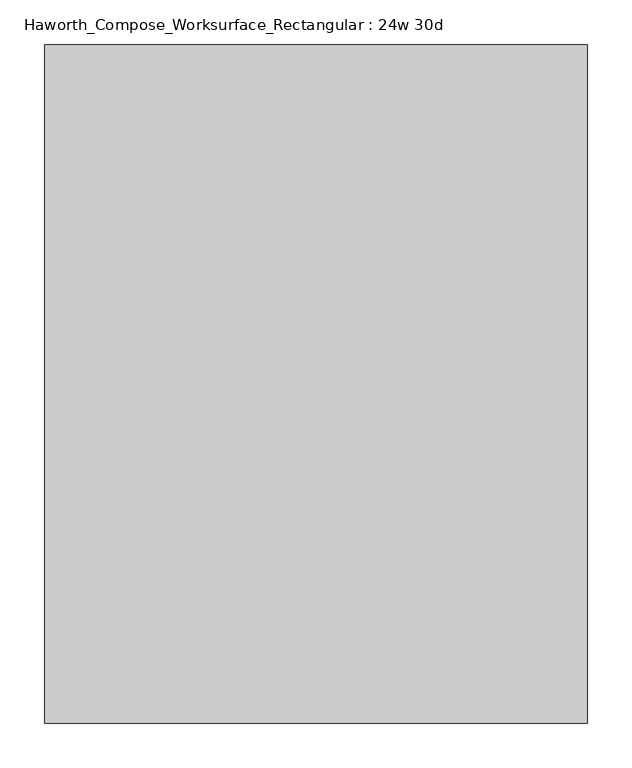
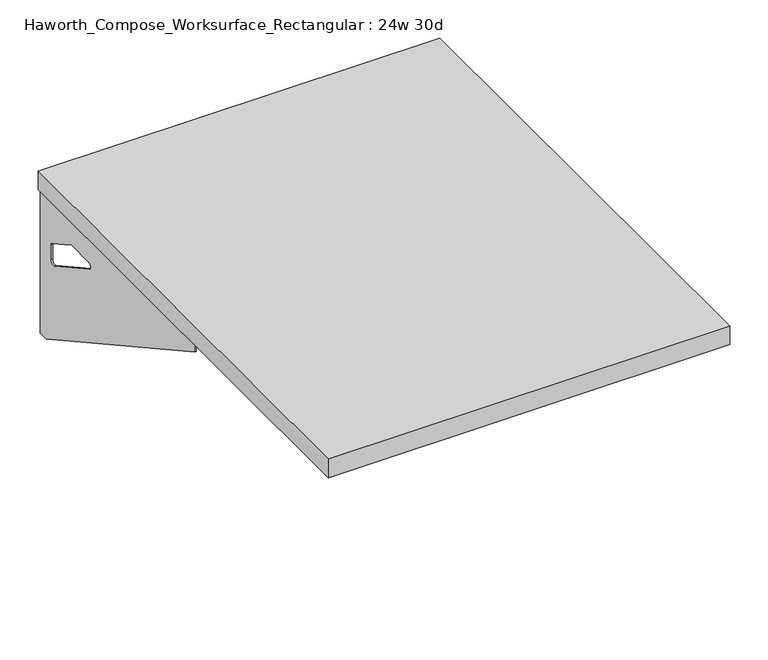
"""IFC4 building model written with IfcOpenShell, lengths in millimetres: furniture geometry, Haworth_Compose_Worksurface_Rectangular : 24w 30d."""

import ifcopenshell
import ifcopenshell.guid

model = None  # the IFC model being written
_history = None  # IfcOwnerHistory: only IFC2X3 demands one
_inside = {}  # id of a spatial element -> (the spatial element, [elements in it])
_under = {}  # id of a project, library or spatial element -> (it, [spatial elements below it])
_declared = {}  # id of a project -> (the project, [libraries it declares])
_typed = {}  # id of a type object -> (the type object, [elements of that type])
_made_of = {}  # id of a material, layer set ... -> (it, [elements and type objects made of it])


def new_model(schema):
    """Start an empty IFC model of exactly this schema.

    Asked for "IFC4X3", IfcOpenShell would pick the latest addendum, in which some entities
    have other attributes; the version numbers below select the first issue.
    IFC2X3 requires an IfcOwnerHistory on every rooted entity: one is made here for all.
    """
    global model, _history
    if schema == "IFC4X3":
        model = ifcopenshell.file(schema_version=(4, 3, 0, 0))
    else:
        model = ifcopenshell.file(schema=schema)
    _inside.clear()
    _under.clear()
    _declared.clear()
    _typed.clear()
    _made_of.clear()
    _history = None
    if model.schema == "IFC2X3":
        org = make("IfcOrganization", Name="unknown")
        user = make(
            "IfcPersonAndOrganization",
            ThePerson=make("IfcPerson", FamilyName="unknown"),
            TheOrganization=org,
        )
        app = make(
            "IfcApplication",
            ApplicationDeveloper=org,
            Version="unknown",
            ApplicationFullName="unknown",
            ApplicationIdentifier="unknown",
        )
        _history = make(
            "IfcOwnerHistory",
            OwningUser=user,
            OwningApplication=app,
            ChangeAction="ADDED",
            CreationDate=0,
        )
    return model


def make(cls, **values):
    """One entity of the class cls with the attributes given. An attribute that is None is left unset."""
    return model.create_entity(
        cls, **{name: value for name, value in values.items() if value is not None}
    )


def rooted(cls, **values):
    """An entity with a GlobalId (a new one), such as an element, a storey or a relation."""
    return make(cls, GlobalId=ifcopenshell.guid.new(), OwnerHistory=_history, **values)


def si_unit(unit_type, name, prefix=None):
    """IfcSIUnit, for example si_unit("LENGTHUNIT", "METRE", prefix="MILLI")."""
    return make("IfcSIUnit", UnitType=unit_type, Prefix=prefix, Name=name)


def assignment(units):
    """IfcUnitAssignment: the units of a project."""
    return None if units is None else make("IfcUnitAssignment", Units=units)


def point(xyz):
    """IfcCartesianPoint."""
    return None if xyz is None else make("IfcCartesianPoint", Coordinates=xyz)


def direction(xyz):
    """IfcDirection."""
    return None if xyz is None else make("IfcDirection", DirectionRatios=xyz)


def frame(location, z_axis=None, x_axis=None):
    """IfcAxis2Placement3D, a coordinate frame: its origin and axes. An axis left out is left unset."""
    return make(
        "IfcAxis2Placement3D",
        Location=point(location),
        Axis=direction(z_axis),
        RefDirection=direction(x_axis),
    )


def origin():
    """The frame at (0, 0, 0) with its axes left unset."""
    return frame((0.0, 0.0, 0.0))


def place(relative_to, where):
    """IfcLocalPlacement: puts the frame where relative to a parent placement (None: the world)."""
    return make(
        "IfcLocalPlacement", PlacementRelTo=relative_to, RelativePlacement=where
    )


def context(
    kind, dimensions, precision=None, world=None, true_north=None, identifier=None
):
    """IfcGeometricRepresentationContext, for example the 3D "Model" context."""
    return make(
        "IfcGeometricRepresentationContext",
        ContextIdentifier=identifier,
        ContextType=kind,
        CoordinateSpaceDimension=dimensions,
        Precision=precision,
        WorldCoordinateSystem=world,
        TrueNorth=true_north,
    )


def project(units=None, contexts=None):
    """IfcProject with its units and contexts."""
    return rooted(
        "IfcProject",
        Name="project",
        RepresentationContexts=contexts,
        UnitsInContext=assignment(units),
    )


def spatial(cls, under=None, at=None, **own):
    """A site, building, storey or space (cls), placed at a placement, below another one or the project."""
    s = rooted(cls, ObjectPlacement=at, **own)
    if under is not None:
        _under.setdefault(under.id(), (under, []))[1].append(s)
    return s


def polyline(points):
    """IfcPolyline through the points."""
    return make("IfcPolyline", Points=[point(p) for p in points])


def circle_curve(where, radius):
    """IfcCircle in the frame where."""
    return make("IfcCircle", Position=where, Radius=radius)


def outline(outer, holes=None, kind="AREA"):
    """IfcArbitraryClosedProfileDef: a profile drawn as a closed curve; with holes, ...WithVoids."""
    if holes is None:
        return make("IfcArbitraryClosedProfileDef", ProfileType=kind, OuterCurve=outer)
    return make(
        "IfcArbitraryProfileDefWithVoids",
        ProfileType=kind,
        OuterCurve=outer,
        InnerCurves=holes,
    )


def extrude(swept, where, along, depth):
    """IfcExtrudedAreaSolid: the profile swept, set in the frame where, extruded along a direction by depth."""
    return make(
        "IfcExtrudedAreaSolid",
        SweptArea=swept,
        Position=where,
        ExtrudedDirection=direction(along),
        Depth=depth,
    )


def shape(context_of_items, identifier, shape_type, items):
    """IfcShapeRepresentation: the items that make up one representation, for example the "Body"."""
    return make(
        "IfcShapeRepresentation",
        ContextOfItems=context_of_items,
        RepresentationIdentifier=identifier,
        RepresentationType=shape_type,
        Items=items,
    )


def source(mapping_origin, context_of_items, identifier, shape_type, items):
    """IfcRepresentationMap: a shape defined once, which mapped items show again and again."""
    return make(
        "IfcRepresentationMap",
        MappingOrigin=mapping_origin,
        MappedRepresentation=shape(context_of_items, identifier, shape_type, items),
    )


def transform(
    local_origin,
    x_axis=None,
    y_axis=None,
    z_axis=None,
    scale=None,
    scale2=None,
    scale3=None,
    uniform=True,
):
    """IfcCartesianTransformationOperator3D, or its non-uniform kind. x_axis, y_axis, z_axis: its Axis1, 2, 3."""
    if uniform:
        return make(
            "IfcCartesianTransformationOperator3D",
            Axis1=direction(x_axis),
            Axis2=direction(y_axis),
            LocalOrigin=point(local_origin),
            Scale=scale,
            Axis3=direction(z_axis),
        )
    return make(
        "IfcCartesianTransformationOperator3DnonUniform",
        Axis1=direction(x_axis),
        Axis2=direction(y_axis),
        LocalOrigin=point(local_origin),
        Scale=scale,
        Axis3=direction(z_axis),
        Scale2=scale2,
        Scale3=scale3,
    )


def mapped(mapping_source, mapping_target):
    """IfcMappedItem: shows the shape of a source again, moved by a transform."""
    return make(
        "IfcMappedItem", MappingSource=mapping_source, MappingTarget=mapping_target
    )


def made_of(thing, what):
    """Note that an element or type object is made of a material, layer set ...; save() writes the relation."""
    if what is not None:
        _made_of.setdefault(what.id(), (what, []))[1].append(thing)
    return thing


def element(
    cls,
    number,
    at=None,
    inside=None,
    cuts=None,
    type_object=None,
    material=None,
    context=None,
    identifier="Body",
    shape_type=None,
    held_by="IfcProductDefinitionShape",
    body=None,
    shapes=None,
    **own,
):
    """One element of the class cls, such as IfcWall. Its Tag is "e" and its number.

    at: its placement. inside: the storey or other place that contains it. cuts: it is an
    opening in that element (IfcRelVoidsElement). A single representation is given by context,
    identifier, shape_type and body (its items); several are given by shapes. held_by: the class
    of the entity that holds the representations. save() writes the other relations.
    """
    e = rooted(cls, Tag="e%d" % number, ObjectPlacement=at, **own)
    if body is not None:
        shapes = [shape(context, identifier, shape_type, body)]
    if shapes is not None:
        e.Representation = make(held_by, Representations=shapes)
    if inside is not None:
        _inside.setdefault(inside.id(), (inside, []))[1].append(e)
    if cuts is not None:
        rooted(
            "IfcRelVoidsElement", RelatingBuildingElement=cuts, RelatedOpeningElement=e
        )
    if type_object is not None:
        _typed.setdefault(type_object.id(), (type_object, []))[1].append(e)
    return made_of(e, material)


def aggregate(whole, parts):
    """IfcRelAggregates: a whole, such as a stair, and the parts it consists of."""
    return rooted("IfcRelAggregates", RelatingObject=whole, RelatedObjects=parts)


def save(model, path):
    """Write the relations noted so far, then the file.

    IfcRelAggregates (storeys below a building ...), IfcRelContainedInSpatialStructure (elements
    in a storey), IfcRelDefinesByType, IfcRelAssociatesMaterial and IfcRelDeclares: one each for
    every whole, place, type object, material and project.
    """
    for whole, parts in _under.values():
        aggregate(whole, parts)
    for where, things in _inside.values():
        rooted(
            "IfcRelContainedInSpatialStructure",
            RelatedElements=things,
            RelatingStructure=where,
        )
    for kind, things in _typed.values():
        rooted("IfcRelDefinesByType", RelatedObjects=things, RelatingType=kind)
    for what, things in _made_of.values():
        rooted("IfcRelAssociatesMaterial", RelatedObjects=things, RelatingMaterial=what)
    for by, libraries in _declared.values():
        rooted("IfcRelDeclares", RelatingContext=by, RelatedDefinitions=libraries)
    model.write(path)


def plane_surface(at):
    """IfcPlane: the flat surface through the origin of the frame at, square to its z axis."""
    return make("IfcPlane", Position=at)


def revolved_surface(curve, axis_point, axis_direction):
    """IfcSurfaceOfRevolution: the curve turned about the line through axis_point along axis_direction."""
    return make(
        "IfcSurfaceOfRevolution",
        SweptCurve=make("IfcArbitraryOpenProfileDef", ProfileType="CURVE", Curve=curve),
        AxisPosition=make("IfcAxis1Placement", Location=point(axis_point), Axis=direction(axis_direction)),
    )


def advanced_brep(points, edges, surfaces, faces):
    """IfcAdvancedBrep: a solid bounded by faces that lie on surfaces and meet in shared edges.

    An edge is (start, end): straight between two places in points (the first is 0);
    or (start, end, curve); or (start, end, curve, False) where it runs against its curve.
    A face is (place in surfaces, loops), or (place, loops, False) where it looks against
    its surface's normal. A loop lists edges by number (the first is 1), with a minus sign
    where the edge is run from its end to its start. The first loop is the outer one.
    """
    corners = [point(p) for p in points]
    vertices = [make("IfcVertexPoint", VertexGeometry=c) for c in corners]
    made = []
    for start, end, *more in edges:
        made.append(
            make(
                "IfcEdgeCurve",
                EdgeStart=vertices[start],
                EdgeEnd=vertices[end],
                EdgeGeometry=more[0] if more else make("IfcPolyline", Points=[corners[start], corners[end]]),
                SameSense=more[1] if len(more) > 1 else True,
            )
        )
    hull = []
    for where, loops, *sense in faces:
        bounds = []
        for j, loop in enumerate(loops):
            ring = [make("IfcOrientedEdge", EdgeElement=made[abs(k) - 1], Orientation=k > 0) for k in loop]
            bounds.append(
                make(
                    "IfcFaceOuterBound" if j == 0 else "IfcFaceBound",
                    Bound=make("IfcEdgeLoop", EdgeList=ring),
                    Orientation=True,
                )
            )
        hull.append(make("IfcAdvancedFace", Bounds=bounds, FaceSurface=surfaces[where], SameSense=sense[0] if sense else True))
    return make("IfcAdvancedBrep", Outer=make("IfcClosedShell", CfsFaces=hull))


def haworth_compose_worksurface_rectangular_24w_30d_a35d95bb(model_context):
    return source(origin(), model_context, "Body", "SolidModel", [
        advanced_brep(
        [(299.24375, 381.0, 475.45625), (299.24375, 365.125, 475.45625), (299.24375, -25.4, 691.7192568), (299.24375, -25.4, 704.05625), (299.24375, 365.125, 704.05625), (299.24375, 381.0, 704.05625), (299.24375, 297.690072, 665.95625), (299.24375, 254.0355284, 665.95625), (299.24375, 251.3564235, 656.3705539), (299.24375, 343.0776173, 605.5776439), (299.24375, 352.425, 611.1756969), (299.24375, 352.425, 634.6860246), (299.24375, 350.6730055, 637.5242776), (299.24375, 300.7663437, 665.1613425), (301.625, 381.0, 475.45625), (301.625, 381.0, 704.05625), (301.625, 365.125, 704.05625), (301.625, 365.125, 706.4375), (301.625, -25.4, 706.4375), (301.625, -25.4, 691.7192568), (301.625, 365.125, 475.45625), (301.625, 297.690072, 665.95625), (301.625, 300.7663437, 665.1613425), (301.625, 350.6730055, 637.5242776), (301.625, 352.425, 634.6860246), (301.625, 352.425, 611.1756969), (301.625, 343.0776173, 605.5776439), (301.625, 251.3564235, 656.3705539), (301.625, 254.0355284, 665.95625), (260.35, -25.4, 706.4375), (260.35, -25.4, 704.05625), (260.35, 365.125, 704.05625), (260.35, 365.125, 706.4375)],
        [
            (0, 1),
            (1, 2),
            (2, 3),
            (3, 4),
            (4, 5),
            (5, 0),
            (6, 7),
            (7, 8, circle_curve(frame((299.24375, 254.0355284, 660.7890106), z_axis=(1.0, 0.0, 0.0), x_axis=(0.0, -1.0, 0.0)), 5.1672394)),
            (8, 9),
            (9, 10, circle_curve(frame((299.24375, 346.075, 611.1756969), z_axis=(1.0, 0.0, 0.0), x_axis=(0.0, -1.0, 0.0)), 6.35)),
            (10, 11),
            (11, 12, circle_curve(frame((299.24375, 349.25, 634.6860246), z_axis=(1.0, 0.0, 0.0), x_axis=(0.0, -1.0, 0.0)), 3.175)),
            (12, 13),
            (13, 6, circle_curve(frame((299.24375, 297.690072, 659.60625), z_axis=(1.0, 0.0, 0.0), x_axis=(0.0, -1.0, 0.0)), 6.35)),
            (14, 15),
            (15, 16),
            (16, 17),
            (17, 18),
            (18, 19),
            (19, 20),
            (20, 14),
            (21, 22, circle_curve(frame((301.625, 297.690072, 659.60625), z_axis=(-1.0, 0.0, 0.0), x_axis=(0.0, -1.0, 0.0)), 6.35)),
            (22, 23),
            (23, 24, circle_curve(frame((301.625, 349.25, 634.6860246), z_axis=(-1.0, 0.0, 0.0), x_axis=(0.0, -1.0, 0.0)), 3.175)),
            (24, 25),
            (25, 26, circle_curve(frame((301.625, 346.075, 611.1756969), z_axis=(-1.0, 0.0, 0.0), x_axis=(0.0, -1.0, 0.0)), 6.35)),
            (26, 27),
            (27, 28, circle_curve(frame((301.625, 254.0355284, 660.7890106), z_axis=(-1.0, 0.0, 0.0), x_axis=(0.0, -1.0, 0.0)), 5.1672394)),
            (28, 21),
            (4, 16),
            (15, 5),
            (14, 0),
            (20, 1),
            (19, 2),
            (18, 29),
            (29, 30),
            (30, 3),
            (6, 21),
            (28, 7),
            (9, 26),
            (25, 10),
            (24, 11),
            (23, 12),
            (27, 8),
            (31, 4),
            (30, 31),
            (32, 29),
            (17, 32),
            (31, 32),
            (22, 13),
        ],
        [
            plane_surface(frame((299.24375, 381.0, 475.45625), z_axis=(-1.0, 0.0, 0.0), x_axis=(0.0, 1.0, 0.0))),
            plane_surface(frame((301.625, 381.0, 475.45625), z_axis=(1.0, 0.0, 0.0), x_axis=(0.0, -1.0, 0.0))),
            plane_surface(frame((301.625, -25.4, 704.05625), z_axis=(0.0, 0.0, 1.0), x_axis=(-1.0, 0.0, 0.0))),
            plane_surface(frame((301.625, 381.0, 704.05625), z_axis=(0.0, 1.0, 0.0), x_axis=(-1.0, 0.0, 0.0))),
            plane_surface(frame((301.625, 381.0, 475.45625), z_axis=(0.0, 0.0, -1.0), x_axis=(-1.0, 0.0, 0.0))),
            plane_surface(frame((301.625, 365.125, 475.45625), z_axis=(0.0, -0.48445223513455843, -0.8748177135112952), x_axis=(-1.0, 0.0, 0.0))),
            plane_surface(frame((301.625, -25.4, 691.7192568), z_axis=(0.0, -1.0, 0.0), x_axis=(-1.0, 0.0, 0.0))),
            plane_surface(frame((301.625, 297.690072, 665.95625), z_axis=(0.0, 0.0, -1.0), x_axis=(-1.0, 0.0, 0.0))),
            revolved_surface(polyline([(299.24375, 339.72499999999997, 611.1756969), (301.625, 339.72499999999997, 611.1756969)]), (301.625, 346.075, 611.1756969), (-1.0, 0.0, 0.0)),
            plane_surface(frame((301.625, 352.425, 611.1756969), z_axis=(0.0, -1.0, 0.0), x_axis=(-1.0, 0.0, 0.0))),
            revolved_surface(polyline([(299.24375, 346.075, 634.6860246), (301.625, 346.075, 634.6860246)]), (301.625, 349.25, 634.6860246), (-1.0, 0.0, 0.0)),
            revolved_surface(polyline([(299.24375, 248.868289, 660.7890106), (301.625, 248.868289, 660.7890106)]), (301.625, 254.0355284, 660.7890106), (-1.0, 0.0, 0.0)),
            plane_surface(frame((301.625, 365.125, 704.05625), z_axis=(0.0, 0.0, -1.0), x_axis=(-1.0, 0.0, 0.0))),
            plane_surface(frame((301.625, 365.125, 706.4375), z_axis=(0.0, 0.0, 1.0), x_axis=(1.0, 0.0, 0.0))),
            plane_surface(frame((260.35, 365.125, 706.4375), z_axis=(0.0, 1.0, 0.0), x_axis=(0.0, 0.0, -1.0))),
            plane_surface(frame((260.35, -25.4, 706.4375), z_axis=(-1.0, 0.0, 0.0), x_axis=(0.0, 0.0, -1.0))),
            plane_surface(frame((301.625, 251.3564235, 656.3705539), z_axis=(0.0, 0.4844522351345583, 0.8748177135112953), x_axis=(-1.0, 0.0, 0.0))),
            plane_surface(frame((301.625, 350.6730055, 637.5242776), z_axis=(0.0, -0.4844522351345582, -0.8748177135112953), x_axis=(-1.0, 0.0, 0.0))),
            revolved_surface(polyline([(299.24375, 291.34007199999996, 659.60625), (301.625, 291.34007199999996, 659.60625)]), (301.625, 297.690072, 659.60625), (-1.0, 0.0, 0.0)),
        ],
        [
            (0, [[1, 2, 3, 4, 5, 6], [7, 8, 9, 10, 11, 12, 13, 14]]),
            (1, [[15, 16, 17, 18, 19, 20, 21], [22, 23, 24, 25, 26, 27, 28, 29]]),
            (2, [[-5, 30, -16, 31]]),
            (3, [[-31, -15, 32, -6]]),
            (4, [[-32, -21, 33, -1]]),
            (5, [[-33, -20, 34, -2]]),
            (6, [[-34, -19, 35, 36, 37, -3]]),
            (7, [[38, -29, 39, -7]]),
            (8, [[40, -26, 41, -10]]),
            (9, [[-41, -25, 42, -11]]),
            (10, [[-42, -24, 43, -12]]),
            (11, [[-39, -28, 44, -8]]),
            (12, [[45, -4, -37, 46]]),
            (13, [[47, -35, -18, 48]]),
            (14, [[-17, -30, -45, 49, -48]]),
            (15, [[-36, -47, -49, -46]]),
            (16, [[-44, -27, -40, -9]]),
            (17, [[-43, -23, 50, -13]]),
            (18, [[-50, -22, -38, -14]]),
        ],
    ),
        advanced_brep(
        [(-299.24375, 381.0, 475.45625), (-299.24375, 381.0, 704.05625), (-299.24375, 365.125, 704.05625), (-299.24375, -25.4, 704.05625), (-299.24375, -25.4, 691.7192568), (-299.24375, 365.125, 475.45625), (-299.24375, 297.690072, 665.95625), (-299.24375, 300.7663437, 665.1613425), (-299.24375, 350.6730055, 637.5242776), (-299.24375, 352.425, 634.6860246), (-299.24375, 352.425, 611.1756969), (-299.24375, 343.0776173, 605.5776439), (-299.24375, 251.3564235, 656.3705539), (-299.24375, 254.0355284, 665.95625), (-301.625, 381.0, 475.45625), (-301.625, 365.125, 475.45625), (-301.625, -25.4, 691.7192568), (-301.625, -25.4, 706.4375), (-301.625, 365.125, 706.4375), (-301.625, 365.125, 704.05625), (-301.625, 381.0, 704.05625), (-301.625, 297.690072, 665.95625), (-301.625, 254.0355284, 665.95625), (-301.625, 251.3564235, 656.3705539), (-301.625, 343.0776173, 605.5776439), (-301.625, 352.425, 611.1756969), (-301.625, 352.425, 634.6860246), (-301.625, 350.6730055, 637.5242776), (-301.625, 300.7663437, 665.1613425), (-260.35, -25.4, 704.05625), (-260.35, -25.4, 706.4375), (-260.35, 365.125, 704.05625), (-260.35, 365.125, 706.4375)],
        [
            (0, 1),
            (1, 2),
            (2, 3),
            (3, 4),
            (4, 5),
            (5, 0),
            (6, 7, circle_curve(frame((-299.24375, 297.690072, 659.60625), z_axis=(-1.0, 0.0, 0.0), x_axis=(0.0, -1.0, 0.0)), 6.35)),
            (7, 8),
            (8, 9, circle_curve(frame((-299.24375, 349.25, 634.6860246), z_axis=(-1.0, 0.0, 0.0), x_axis=(0.0, -1.0, 0.0)), 3.175)),
            (9, 10),
            (10, 11, circle_curve(frame((-299.24375, 346.075, 611.1756969), z_axis=(-1.0, 0.0, 0.0), x_axis=(0.0, -1.0, 0.0)), 6.35)),
            (11, 12),
            (12, 13, circle_curve(frame((-299.24375, 254.0355284, 660.7890106), z_axis=(-1.0, 0.0, 0.0), x_axis=(0.0, -1.0, 0.0)), 5.1672394)),
            (13, 6),
            (14, 15),
            (15, 16),
            (16, 17),
            (17, 18),
            (18, 19),
            (19, 20),
            (20, 14),
            (21, 22),
            (22, 23, circle_curve(frame((-301.625, 254.0355284, 660.7890106), z_axis=(1.0, 0.0, 0.0), x_axis=(0.0, -1.0, 0.0)), 5.1672394)),
            (23, 24),
            (24, 25, circle_curve(frame((-301.625, 346.075, 611.1756969), z_axis=(1.0, 0.0, 0.0), x_axis=(0.0, -1.0, 0.0)), 6.35)),
            (25, 26),
            (26, 27, circle_curve(frame((-301.625, 349.25, 634.6860246), z_axis=(1.0, 0.0, 0.0), x_axis=(0.0, -1.0, 0.0)), 3.175)),
            (27, 28),
            (28, 21, circle_curve(frame((-301.625, 297.690072, 659.60625), z_axis=(1.0, 0.0, 0.0), x_axis=(0.0, -1.0, 0.0)), 6.35)),
            (1, 20),
            (19, 2),
            (0, 14),
            (5, 15),
            (4, 16),
            (3, 29),
            (29, 30),
            (30, 17),
            (13, 22),
            (21, 6),
            (10, 25),
            (24, 11),
            (9, 26),
            (8, 27),
            (12, 23),
            (31, 29),
            (2, 31),
            (32, 18),
            (30, 32),
            (32, 31),
            (7, 28),
        ],
        [
            plane_surface(frame((-299.24375, 381.0, 475.45625), z_axis=(1.0, 0.0, 0.0), x_axis=(0.0, 1.0, 0.0))),
            plane_surface(frame((-301.625, 381.0, 475.45625), z_axis=(-1.0, 0.0, 0.0), x_axis=(0.0, -1.0, 0.0))),
            plane_surface(frame((-301.625, -25.4, 704.05625), z_axis=(0.0, 0.0, 1.0), x_axis=(1.0, 0.0, 0.0))),
            plane_surface(frame((-301.625, 381.0, 704.05625), z_axis=(0.0, 1.0, 0.0), x_axis=(1.0, 0.0, 0.0))),
            plane_surface(frame((-301.625, 381.0, 475.45625), z_axis=(0.0, 0.0, -1.0), x_axis=(1.0, 0.0, 0.0))),
            plane_surface(frame((-301.625, 365.125, 475.45625), z_axis=(0.0, -0.48445223513455843, -0.8748177135112952), x_axis=(1.0, 0.0, 0.0))),
            plane_surface(frame((-301.625, -25.4, 691.7192568), z_axis=(0.0, -1.0, 0.0), x_axis=(1.0, 0.0, 0.0))),
            plane_surface(frame((-301.625, 297.690072, 665.95625), z_axis=(0.0, 0.0, -1.0), x_axis=(1.0, 0.0, 0.0))),
            revolved_surface(polyline([(-299.24375, 339.72499999999997, 611.1756969), (-301.625, 339.72499999999997, 611.1756969)]), (-301.625, 346.075, 611.1756969), (1.0, 0.0, 0.0)),
            plane_surface(frame((-301.625, 352.425, 611.1756969), z_axis=(0.0, -1.0, 0.0), x_axis=(1.0, 0.0, 0.0))),
            revolved_surface(polyline([(-299.24375, 346.075, 634.6860246), (-301.625, 346.075, 634.6860246)]), (-301.625, 349.25, 634.6860246), (1.0, 0.0, 0.0)),
            revolved_surface(polyline([(-299.24375, 248.868289, 660.7890106), (-301.625, 248.868289, 660.7890106)]), (-301.625, 254.0355284, 660.7890106), (1.0, 0.0, 0.0)),
            plane_surface(frame((-301.625, 365.125, 704.05625), z_axis=(0.0, 0.0, -1.0), x_axis=(1.0, 0.0, 0.0))),
            plane_surface(frame((-301.625, 365.125, 706.4375), z_axis=(0.0, 0.0, 1.0), x_axis=(-1.0, 0.0, 0.0))),
            plane_surface(frame((-260.35, 365.125, 706.4375), z_axis=(0.0, 1.0, 0.0), x_axis=(0.0, 0.0, -1.0))),
            plane_surface(frame((-260.35, -25.4, 706.4375), z_axis=(1.0, 0.0, 0.0), x_axis=(0.0, 0.0, -1.0))),
            plane_surface(frame((-301.625, 251.3564235, 656.3705539), z_axis=(0.0, 0.4844522351345583, 0.8748177135112953), x_axis=(1.0, 0.0, 0.0))),
            plane_surface(frame((-301.625, 350.6730055, 637.5242776), z_axis=(0.0, -0.4844522351345582, -0.8748177135112953), x_axis=(1.0, 0.0, 0.0))),
            revolved_surface(polyline([(-299.24375, 291.34007199999996, 659.60625), (-301.625, 291.34007199999996, 659.60625)]), (-301.625, 297.690072, 659.60625), (1.0, 0.0, 0.0)),
        ],
        [
            (0, [[1, 2, 3, 4, 5, 6], [7, 8, 9, 10, 11, 12, 13, 14]]),
            (1, [[15, 16, 17, 18, 19, 20, 21], [22, 23, 24, 25, 26, 27, 28, 29]]),
            (2, [[30, -20, 31, -2]]),
            (3, [[-1, 32, -21, -30]]),
            (4, [[-6, 33, -15, -32]]),
            (5, [[-5, 34, -16, -33]]),
            (6, [[-4, 35, 36, 37, -17, -34]]),
            (7, [[-14, 38, -22, 39]]),
            (8, [[-11, 40, -25, 41]]),
            (9, [[-10, 42, -26, -40]]),
            (10, [[-9, 43, -27, -42]]),
            (11, [[-13, 44, -23, -38]]),
            (12, [[45, -35, -3, 46]]),
            (13, [[47, -18, -37, 48]]),
            (14, [[-47, 49, -46, -31, -19]]),
            (15, [[-45, -49, -48, -36]]),
            (16, [[-12, -41, -24, -44]]),
            (17, [[-8, 50, -28, -43]]),
            (18, [[-7, -39, -29, -50]]),
        ],
    ),
        extrude(outline(polyline([(304.8, 381.0), (304.8, -381.0), (-304.8, -381.0), (-304.8, 381.0), (304.8, 381.0)])), frame((0.0, 0.0, 706.4375), z_axis=(0.0, 0.0, 1.0), x_axis=(1.0, 0.0, 0.0)), (0.0, 0.0, 1.0), 30.1625),
    ])


if __name__ == "__main__":
    model = new_model("IFC4")
    model_context = context("Model", 3, world=origin())
    ifc_project = project(units=[si_unit("LENGTHUNIT", "METRE", prefix="MILLI")], contexts=[model_context])
    site = spatial("IfcSite", under=ifc_project)
    building = spatial("IfcBuilding", under=site)
    placement = place(None, origin())
    haworth_compose_worksurface_rectangular_24w_30d_shape = haworth_compose_worksurface_rectangular_24w_30d_a35d95bb(model_context)
    element("IfcFurniture", 1, ObjectType="Haworth_Compose_Worksurface_Rectangular : 24w 30d", at=placement, inside=building, context=model_context, shape_type="MappedRepresentation", body=[
        mapped(haworth_compose_worksurface_rectangular_24w_30d_shape, transform((0.0, 0.0, 0.0), x_axis=(1.0, 0.0, 0.0), y_axis=(0.0, 1.0, 0.0), z_axis=(0.0, 0.0, 1.0))),
    ])
    save(model, "model.ifc")
